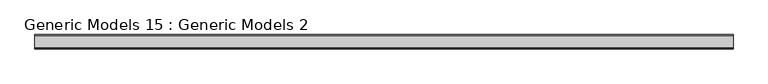
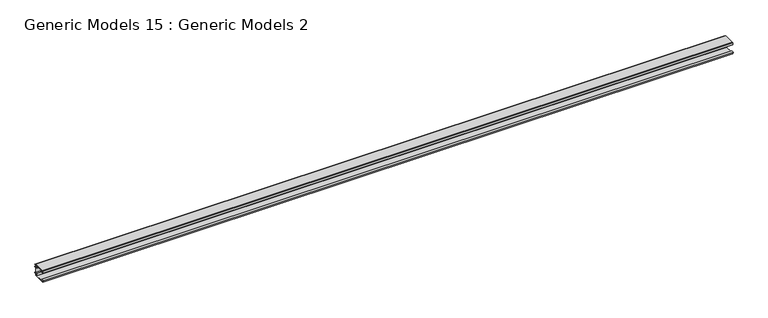
"""IFC4 building model written with IfcOpenShell, lengths in millimetres: proxy geometry, Generic Models 15 : Generic Models 2."""

from ifc_helpers import new_model, si_unit, frame, origin, place, context, project, spatial, polyline, outline, extrude, source, transform, mapped, element, save


def generic_models_15_generic_models_2_0c753ec2(model_context):
    return source(origin(), model_context, "Body", "SweptSolid", [
        extrude(outline(polyline([(-71.0592947, -149.0391257), (-70.1094258, -148.9898811), (-69.6157225, -149.7304361), (-70.2743849, -150.7437629), (-70.2743849, -152.1516396), (-67.9620599, -152.1516396), (-67.9620599, -155.2940299), (-132.4699964, -155.2940299), (-132.4699964, -149.8393146), (-129.3276061, -149.8393146), (-129.0311542, -151.6180261), (-124.1693428, -149.8393146), (-119.9004353, -149.8393146), (-119.9004353, -152.1516396), (-75.3733578, -152.1516396), (-75.3733578, -139.9971111), (-74.0012089, -139.9971111), (-72.5867098, -149.898605), (-71.5359228, -149.898605), (-71.0592947, -149.0391257)])), frame((-4586.4665824, 0.0, 0.0), z_axis=(1.0, 0.0, 0.0), x_axis=(0.0, 1.0, 0.0)), (0.0, 0.0, 1.0), 3657.6),
        extrude(outline(polyline([(-133.7063293, -153.6815912), (-136.7547148, -142.2501456), (-125.1491017, -142.2501456), (-119.9004353, -148.3434251), (-119.9004353, -149.548729), (-124.4295715, -149.548729), (-128.6444722, -151.0907659), (-128.9014784, -149.548729), (-132.6677162, -149.548729), (-132.6677162, -153.6815912), (-133.7063293, -153.6815912)])), frame((-4586.4665824, 0.0, 0.0), z_axis=(1.0, 0.0, 0.0), x_axis=(0.0, 1.0, 0.0)), (0.0, 0.0, 1.0), 3657.6),
        extrude(outline(polyline([(-120.6119199, -94.3435163), (-120.6119199, -98.9088758), (-122.6575145, -98.9088758), (-123.961787, -97.6044874), (-122.1534698, -97.6044874), (-122.1534698, -96.1222278), (-123.8748172, -95.1284074), (-126.1562362, -95.1284074), (-128.0550293, -96.0138292), (-128.0550293, -97.6044874), (-126.0218058, -97.6044874), (-126.2445062, -98.9088758), (-131.2841888, -98.9088758), (-130.6857438, -91.7940299), (-68.2585118, -91.7940299), (-68.2585118, -95.3514528), (-61.9737313, -95.3514528), (-61.9737313, -97.3673258), (-68.2585118, -97.3673258), (-68.2585118, -108.2767563), (-61.9737313, -108.2767563), (-61.9737313, -110.2926293), (-68.2585118, -110.2926293), (-68.2585118, -141.3607899), (-61.9737313, -141.3607899), (-61.9737313, -143.3766629), (-68.2585118, -143.3766629), (-68.2585118, -151.9737684), (-69.6221906, -151.9737684), (-70.1558041, -151.1437031), (-69.5036099, -150.1950569), (-69.5036099, -143.3766629), (-70.8079983, -142.0722745), (-70.8079983, -138.3369804), (-76.1441328, -138.3369804), (-76.1441328, -151.7958973), (-77.6856827, -151.7958973), (-77.6856827, -136.3211074), (-70.8079983, -136.3211074), (-70.8079983, -110.4112101), (-77.6856827, -110.4112101), (-77.6856827, -94.3435163), (-120.6119199, -94.3435163)]), holes=[polyline([(-70.3929656, -94.9364202), (-76.1441328, -94.9364202), (-76.1441328, -108.2767563), (-70.3929656, -108.2767563), (-70.3929656, -94.9364202)])]), frame((-4586.4665824, 0.0, 0.0), z_axis=(1.0, 0.0, 0.0), x_axis=(0.0, 1.0, 0.0)), (0.0, 0.0, 1.0), 3657.6),
        extrude(outline(polyline([(-135.2645387, -102.2501456), (-133.0457745, -92.2915062), (-130.9443596, -92.2915062), (-131.5267702, -99.2157213), (-126.0864704, -99.2157213), (-125.758042, -97.2920692), (-127.7963053, -97.2920692), (-127.7963053, -96.2677202), (-125.9948218, -95.4276746), (-123.9145233, -95.4276746), (-122.424183, -96.288123), (-122.424183, -97.3773099), (-124.6785712, -97.3773099), (-122.8401598, -99.2157213), (-120.6119199, -99.2157213), (-120.6119199, -102.2501456), (-135.2645387, -102.2501456)])), frame((-4586.4665824, 0.0, 0.0), z_axis=(1.0, 0.0, 0.0), x_axis=(0.0, 1.0, 0.0)), (0.0, 0.0, 1.0), 3657.6),
    ])


if __name__ == "__main__":
    model = new_model("IFC4")
    model_context = context("Model", 3, world=origin())
    ifc_project = project(units=[si_unit("LENGTHUNIT", "METRE", prefix="MILLI")], contexts=[model_context])
    site = spatial("IfcSite", under=ifc_project)
    building = spatial("IfcBuilding", under=site)
    placement = place(None, origin())
    generic_models_15_generic_models_2_shape = generic_models_15_generic_models_2_0c753ec2(model_context)
    element("IfcBuildingElementProxy", 1, Name="Generic Models 15 : Generic Models 2", ObjectType="Generic Models 15 : Generic Models 2", at=placement, inside=building, context=model_context, shape_type="MappedRepresentation", body=[
        mapped(generic_models_15_generic_models_2_shape, transform((0.0, 0.0, 0.0), x_axis=(1.0, 0.0, 0.0), y_axis=(0.0, 1.0, 0.0), z_axis=(0.0, 0.0, 1.0))),
    ])
    save(model, "model.ifc")
